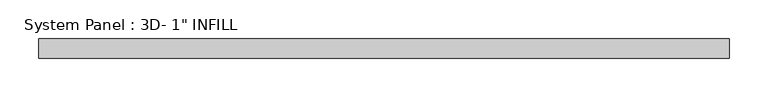
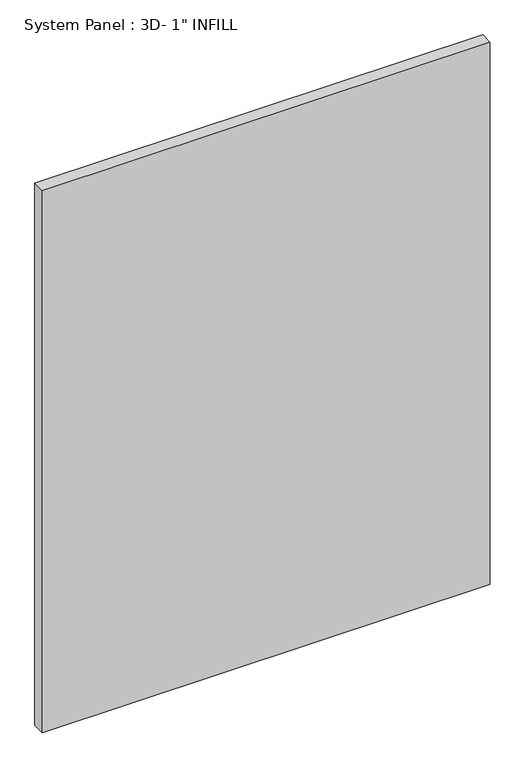
"""IFC4 building model written with IfcOpenShell, lengths in millimetres: plate geometry."""

import ifcopenshell
import ifcopenshell.guid

model = None  # the IFC model being written
_history = None  # IfcOwnerHistory: only IFC2X3 demands one
_inside = {}  # id of a spatial element -> (the spatial element, [elements in it])
_under = {}  # id of a project, library or spatial element -> (it, [spatial elements below it])
_declared = {}  # id of a project -> (the project, [libraries it declares])
_typed = {}  # id of a type object -> (the type object, [elements of that type])
_made_of = {}  # id of a material, layer set ... -> (it, [elements and type objects made of it])


def new_model(schema):
    """Start an empty IFC model of exactly this schema.

    Asked for "IFC4X3", IfcOpenShell would pick the latest addendum, in which some entities
    have other attributes; the version numbers below select the first issue.
    IFC2X3 requires an IfcOwnerHistory on every rooted entity: one is made here for all.
    """
    global model, _history
    if schema == "IFC4X3":
        model = ifcopenshell.file(schema_version=(4, 3, 0, 0))
    else:
        model = ifcopenshell.file(schema=schema)
    _inside.clear()
    _under.clear()
    _declared.clear()
    _typed.clear()
    _made_of.clear()
    _history = None
    if model.schema == "IFC2X3":
        org = make("IfcOrganization", Name="unknown")
        user = make(
            "IfcPersonAndOrganization",
            ThePerson=make("IfcPerson", FamilyName="unknown"),
            TheOrganization=org,
        )
        app = make(
            "IfcApplication",
            ApplicationDeveloper=org,
            Version="unknown",
            ApplicationFullName="unknown",
            ApplicationIdentifier="unknown",
        )
        _history = make(
            "IfcOwnerHistory",
            OwningUser=user,
            OwningApplication=app,
            ChangeAction="ADDED",
            CreationDate=0,
        )
    return model


def make(cls, **values):
    """One entity of the class cls with the attributes given. An attribute that is None is left unset."""
    return model.create_entity(
        cls, **{name: value for name, value in values.items() if value is not None}
    )


def rooted(cls, **values):
    """An entity with a GlobalId (a new one), such as an element, a storey or a relation."""
    return make(cls, GlobalId=ifcopenshell.guid.new(), OwnerHistory=_history, **values)


def si_unit(unit_type, name, prefix=None):
    """IfcSIUnit, for example si_unit("LENGTHUNIT", "METRE", prefix="MILLI")."""
    return make("IfcSIUnit", UnitType=unit_type, Prefix=prefix, Name=name)


def assignment(units):
    """IfcUnitAssignment: the units of a project."""
    return None if units is None else make("IfcUnitAssignment", Units=units)


def point(xyz):
    """IfcCartesianPoint."""
    return None if xyz is None else make("IfcCartesianPoint", Coordinates=xyz)


def direction(xyz):
    """IfcDirection."""
    return None if xyz is None else make("IfcDirection", DirectionRatios=xyz)


def frame(location, z_axis=None, x_axis=None):
    """IfcAxis2Placement3D, a coordinate frame: its origin and axes. An axis left out is left unset."""
    return make(
        "IfcAxis2Placement3D",
        Location=point(location),
        Axis=direction(z_axis),
        RefDirection=direction(x_axis),
    )


def origin():
    """The frame at (0, 0, 0) with its axes left unset."""
    return frame((0.0, 0.0, 0.0))


def origin_with_axes():
    """The frame at (0, 0, 0) with the z axis (0, 0, 1) and the x axis (1, 0, 0) written out."""
    return frame((0.0, 0.0, 0.0), z_axis=(0.0, 0.0, 1.0), x_axis=(1.0, 0.0, 0.0))


def place(relative_to, where):
    """IfcLocalPlacement: puts the frame where relative to a parent placement (None: the world)."""
    return make(
        "IfcLocalPlacement", PlacementRelTo=relative_to, RelativePlacement=where
    )


def context(
    kind, dimensions, precision=None, world=None, true_north=None, identifier=None
):
    """IfcGeometricRepresentationContext, for example the 3D "Model" context."""
    return make(
        "IfcGeometricRepresentationContext",
        ContextIdentifier=identifier,
        ContextType=kind,
        CoordinateSpaceDimension=dimensions,
        Precision=precision,
        WorldCoordinateSystem=world,
        TrueNorth=true_north,
    )


def project(units=None, contexts=None):
    """IfcProject with its units and contexts."""
    return rooted(
        "IfcProject",
        Name="project",
        RepresentationContexts=contexts,
        UnitsInContext=assignment(units),
    )


def spatial(cls, under=None, at=None, **own):
    """A site, building, storey or space (cls), placed at a placement, below another one or the project."""
    s = rooted(cls, ObjectPlacement=at, **own)
    if under is not None:
        _under.setdefault(under.id(), (under, []))[1].append(s)
    return s


def polyline(points):
    """IfcPolyline through the points."""
    return make("IfcPolyline", Points=[point(p) for p in points])


def outline(outer, holes=None, kind="AREA"):
    """IfcArbitraryClosedProfileDef: a profile drawn as a closed curve; with holes, ...WithVoids."""
    if holes is None:
        return make("IfcArbitraryClosedProfileDef", ProfileType=kind, OuterCurve=outer)
    return make(
        "IfcArbitraryProfileDefWithVoids",
        ProfileType=kind,
        OuterCurve=outer,
        InnerCurves=holes,
    )


def extrude(swept, where, along, depth):
    """IfcExtrudedAreaSolid: the profile swept, set in the frame where, extruded along a direction by depth."""
    return make(
        "IfcExtrudedAreaSolid",
        SweptArea=swept,
        Position=where,
        ExtrudedDirection=direction(along),
        Depth=depth,
    )


def shape(context_of_items, identifier, shape_type, items):
    """IfcShapeRepresentation: the items that make up one representation, for example the "Body"."""
    return make(
        "IfcShapeRepresentation",
        ContextOfItems=context_of_items,
        RepresentationIdentifier=identifier,
        RepresentationType=shape_type,
        Items=items,
    )


def source(mapping_origin, context_of_items, identifier, shape_type, items):
    """IfcRepresentationMap: a shape defined once, which mapped items show again and again."""
    return make(
        "IfcRepresentationMap",
        MappingOrigin=mapping_origin,
        MappedRepresentation=shape(context_of_items, identifier, shape_type, items),
    )


def transform(
    local_origin,
    x_axis=None,
    y_axis=None,
    z_axis=None,
    scale=None,
    scale2=None,
    scale3=None,
    uniform=True,
):
    """IfcCartesianTransformationOperator3D, or its non-uniform kind. x_axis, y_axis, z_axis: its Axis1, 2, 3."""
    if uniform:
        return make(
            "IfcCartesianTransformationOperator3D",
            Axis1=direction(x_axis),
            Axis2=direction(y_axis),
            LocalOrigin=point(local_origin),
            Scale=scale,
            Axis3=direction(z_axis),
        )
    return make(
        "IfcCartesianTransformationOperator3DnonUniform",
        Axis1=direction(x_axis),
        Axis2=direction(y_axis),
        LocalOrigin=point(local_origin),
        Scale=scale,
        Axis3=direction(z_axis),
        Scale2=scale2,
        Scale3=scale3,
    )


def mapped(mapping_source, mapping_target):
    """IfcMappedItem: shows the shape of a source again, moved by a transform."""
    return make(
        "IfcMappedItem", MappingSource=mapping_source, MappingTarget=mapping_target
    )


def made_of(thing, what):
    """Note that an element or type object is made of a material, layer set ...; save() writes the relation."""
    if what is not None:
        _made_of.setdefault(what.id(), (what, []))[1].append(thing)
    return thing


def element(
    cls,
    number,
    at=None,
    inside=None,
    cuts=None,
    type_object=None,
    material=None,
    context=None,
    identifier="Body",
    shape_type=None,
    held_by="IfcProductDefinitionShape",
    body=None,
    shapes=None,
    **own,
):
    """One element of the class cls, such as IfcWall. Its Tag is "e" and its number.

    at: its placement. inside: the storey or other place that contains it. cuts: it is an
    opening in that element (IfcRelVoidsElement). A single representation is given by context,
    identifier, shape_type and body (its items); several are given by shapes. held_by: the class
    of the entity that holds the representations. save() writes the other relations.
    """
    e = rooted(cls, Tag="e%d" % number, ObjectPlacement=at, **own)
    if body is not None:
        shapes = [shape(context, identifier, shape_type, body)]
    if shapes is not None:
        e.Representation = make(held_by, Representations=shapes)
    if inside is not None:
        _inside.setdefault(inside.id(), (inside, []))[1].append(e)
    if cuts is not None:
        rooted(
            "IfcRelVoidsElement", RelatingBuildingElement=cuts, RelatedOpeningElement=e
        )
    if type_object is not None:
        _typed.setdefault(type_object.id(), (type_object, []))[1].append(e)
    return made_of(e, material)


def aggregate(whole, parts):
    """IfcRelAggregates: a whole, such as a stair, and the parts it consists of."""
    return rooted("IfcRelAggregates", RelatingObject=whole, RelatedObjects=parts)


def save(model, path):
    """Write the relations noted so far, then the file.

    IfcRelAggregates (storeys below a building ...), IfcRelContainedInSpatialStructure (elements
    in a storey), IfcRelDefinesByType, IfcRelAssociatesMaterial and IfcRelDeclares: one each for
    every whole, place, type object, material and project.
    """
    for whole, parts in _under.values():
        aggregate(whole, parts)
    for where, things in _inside.values():
        rooted(
            "IfcRelContainedInSpatialStructure",
            RelatedElements=things,
            RelatingStructure=where,
        )
    for kind, things in _typed.values():
        rooted("IfcRelDefinesByType", RelatedObjects=things, RelatingType=kind)
    for what, things in _made_of.values():
        rooted("IfcRelAssociatesMaterial", RelatedObjects=things, RelatingMaterial=what)
    for by, libraries in _declared.values():
        rooted("IfcRelDeclares", RelatingContext=by, RelatedDefinitions=libraries)
    model.write(path)


def plate_a335609d(model_context):
    return source(origin(), model_context, "Body", "SweptSolid", [
        extrude(outline(polyline([(448.2465, -5.4570312), (-448.2465, -5.4570312), (-448.2465, 19.9429688), (448.2465, 19.9429688), (448.2465, -5.4570312)])), origin_with_axes(), (0.0, 0.0, 1.0), 1147.0230159),
    ])


if __name__ == "__main__":
    model = new_model("IFC4")
    model_context = context("Model", 3, world=origin())
    ifc_project = project(units=[si_unit("LENGTHUNIT", "METRE", prefix="MILLI")], contexts=[model_context])
    site = spatial("IfcSite", under=ifc_project)
    building = spatial("IfcBuilding", under=site)
    placement = place(None, origin())
    plate_shape = plate_a335609d(model_context)
    element("IfcPlate", 1, ObjectType="System Panel : 3D- 1\" INFILL", at=placement, inside=building, context=model_context, shape_type="MappedRepresentation", body=[
        mapped(plate_shape, transform((0.0, 0.0, 0.0), x_axis=(1.0, 0.0, 0.0), y_axis=(0.0, 1.0, 0.0), z_axis=(0.0, 0.0, 1.0))),
    ])
    save(model, "model.ifc")
